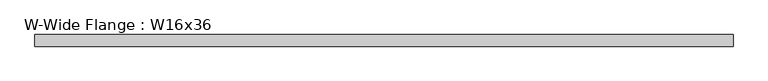
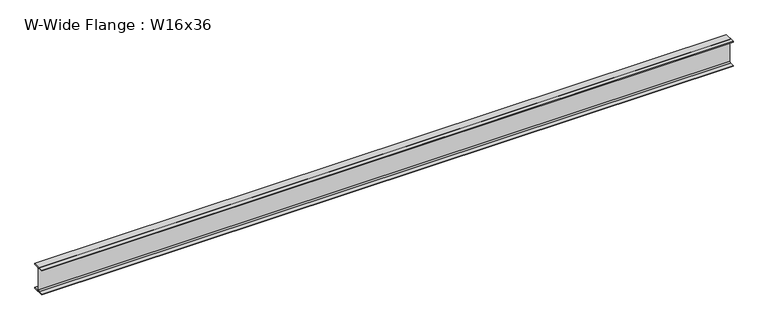
"""IFC4 building model written with IfcOpenShell, lengths in millimetres: beam geometry, W-Wide Flange : W16x36."""

from ifc_helpers import new_model, si_unit, point, frame, frame_2d, origin, place, context, project, spatial, polyline, circle_curve, trimmed, segment, composite_curve, outline, extrude, source, transform, mapped, element, save


def w_wide_flange_w16x36_83e83718(model_context):
    return source(origin(), model_context, "Body", "SweptSolid", [
        extrude(outline(composite_curve([segment(polyline([(88.773, -191.008), (88.773, -201.93), (-88.773, -201.93), (-88.773, -191.008), (-21.3995, -191.008)]), True, "CONTINUOUS"), segment(trimmed(circle_curve(frame_2d((-21.3995, -173.355)), 17.653), [point((-21.3995, -191.008))], [point((-3.7465, -173.355))], True, "CARTESIAN"), True, "CONTINUOUS"), segment(polyline([(-3.7465, -173.355), (-3.7465, 173.355)]), True, "CONTINUOUS"), segment(trimmed(circle_curve(frame_2d((-21.3995, 173.355)), 17.653), [point((-3.7465, 173.355))], [point((-21.3995, 191.008))], True, "CARTESIAN"), True, "CONTINUOUS"), segment(polyline([(-21.3995, 191.008), (-88.773, 191.008), (-88.773, 201.93), (88.773, 201.93), (88.773, 191.008), (21.3995, 191.008)]), True, "CONTINUOUS"), segment(trimmed(circle_curve(frame_2d((21.3995, 173.355)), 17.653), [point((21.3995, 191.008))], [point((3.7465, 173.355))], True, "CARTESIAN"), True, "CONTINUOUS"), segment(polyline([(3.7465, 173.355), (3.7465, -173.355)]), True, "CONTINUOUS"), segment(trimmed(circle_curve(frame_2d((21.3995, -173.355)), 17.653), [point((3.7465, -173.355))], [point((21.3995, -191.008))], True, "CARTESIAN"), True, "CONTINUOUS"), segment(polyline([(21.3995, -191.008), (88.773, -191.008)]), True, "CONTINUOUS")], self_intersect=False)), frame((-5338.7857573, 0.0, 0.0), z_axis=(1.0, 0.0, 0.0), x_axis=(0.0, 1.0, 0.0)), (0.0, 0.0, 1.0), 10686.069175),
    ])


if __name__ == "__main__":
    model = new_model("IFC4")
    model_context = context("Model", 3, world=origin())
    ifc_project = project(units=[si_unit("LENGTHUNIT", "METRE", prefix="MILLI")], contexts=[model_context])
    site = spatial("IfcSite", under=ifc_project)
    building = spatial("IfcBuilding", under=site)
    placement = place(None, origin())
    w_wide_flange_w16x36_shape = w_wide_flange_w16x36_83e83718(model_context)
    element("IfcBeam", 1, ObjectType="W-Wide Flange : W16x36", at=placement, inside=building, context=model_context, shape_type="MappedRepresentation", body=[
        mapped(w_wide_flange_w16x36_shape, transform((0.0, 0.0, 0.0), x_axis=(1.0, 0.0, 0.0), y_axis=(0.0, 1.0, 0.0), z_axis=(0.0, 0.0, 1.0))),
    ])
    save(model, "model.ifc")
